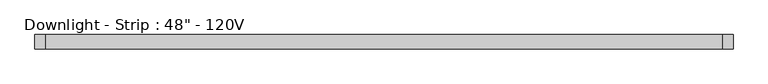
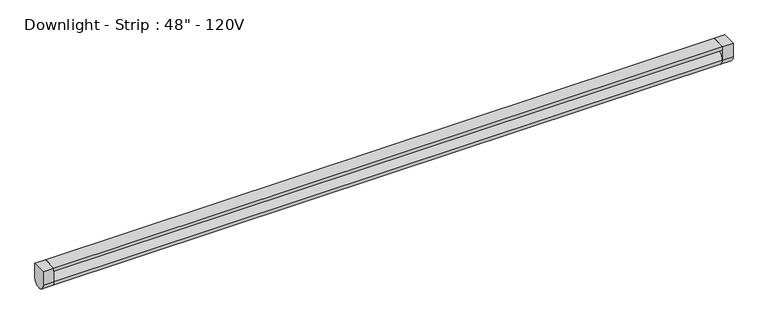
"""IFC4 building model written with IfcOpenShell, lengths in millimetres: light fixture geometry."""

from ifc_helpers import new_model, si_unit, point, frame, frame_2d, origin, place, context, project, spatial, polyline, circle_curve, trimmed, segment, composite_curve, outline, extrude, source, transform, mapped, element, save


def light_fixture_c74a8781(model_context):
    return source(origin(), model_context, "Body", "SweptSolid", [
        extrude(outline(polyline([(590.55, -205.9435765), (590.55, -231.3435765), (-590.55, -231.3435765), (-590.55, -205.9435765), (590.55, -205.9435765)])), frame((0.0, 0.0, 1365.25), z_axis=(0.0, 0.0, 1.0), x_axis=(1.0, 0.0, 0.0)), (0.0, 0.0, 1.0), 6.35),
        extrude(outline(composite_curve([segment(trimmed(circle_curve(frame_2d((-218.6435765, 1346.2)), 12.7), [point((-205.9435765, 1346.2))], [point((-231.3435765, 1346.2))], False, "CARTESIAN"), True, "CONTINUOUS"), segment(polyline([(-231.3435765, 1346.2), (-231.3435765, 1371.6), (-205.9435765, 1371.6), (-205.9435765, 1346.2)]), True, "CONTINUOUS")], self_intersect=False)), frame((-609.6, 0.0, 0.0), z_axis=(1.0, 0.0, 0.0), x_axis=(0.0, 1.0, 0.0)), (0.0, 0.0, 1.0), 19.05),
        extrude(outline(composite_curve([segment(trimmed(circle_curve(frame_2d((-218.6435765, 1346.2)), 12.7), [point((-205.9435765, 1346.2))], [point((-231.3435765, 1346.2))], False, "CARTESIAN"), True, "CONTINUOUS"), segment(polyline([(-231.3435765, 1346.2), (-231.3435765, 1371.6), (-205.9435765, 1371.6), (-205.9435765, 1346.2)]), True, "CONTINUOUS")], self_intersect=False)), frame((590.55, 0.0, 0.0), z_axis=(1.0, 0.0, 0.0), x_axis=(0.0, 1.0, 0.0)), (0.0, 0.0, 1.0), 19.05),
        extrude(outline(composite_curve([segment(trimmed(circle_curve(frame_2d((-218.6435765, 1346.2)), 12.7), [point((-231.3435765, 1346.2))], [point((-205.9435765, 1346.2))], False, "CARTESIAN"), True, "CONTINUOUS"), segment(trimmed(circle_curve(frame_2d((-218.6435765, 1346.2)), 12.7), [point((-205.9435765, 1346.2))], [point((-231.3435765, 1346.2))], False, "CARTESIAN"), True, "CONTINUOUS")], self_intersect=False)), frame((-590.55, 0.0, 0.0), z_axis=(1.0, 0.0, 0.0), x_axis=(0.0, 1.0, 0.0)), (0.0, 0.0, 1.0), 1181.1),
    ])


if __name__ == "__main__":
    model = new_model("IFC4")
    model_context = context("Model", 3, world=origin())
    ifc_project = project(units=[si_unit("LENGTHUNIT", "METRE", prefix="MILLI")], contexts=[model_context])
    site = spatial("IfcSite", under=ifc_project)
    building = spatial("IfcBuilding", under=site)
    placement = place(None, origin())
    light_fixture_shape = light_fixture_c74a8781(model_context)
    element("IfcLightFixture", 1, ObjectType="Downlight - Strip : 48\" - 120V", at=placement, inside=building, context=model_context, shape_type="MappedRepresentation", body=[
        mapped(light_fixture_shape, transform((0.0, 0.0, 0.0), x_axis=(1.0, 0.0, 0.0), y_axis=(0.0, 1.0, 0.0), z_axis=(0.0, 0.0, 1.0))),
    ])
    save(model, "model.ifc")
